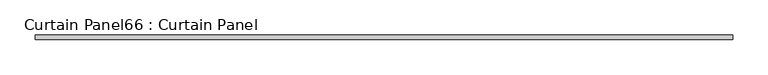
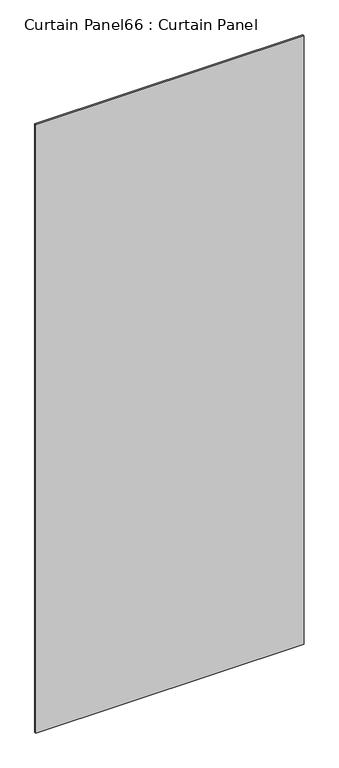
"""IFC4 building model written with IfcOpenShell, lengths in millimetres: plate geometry, Curtain Panel66 : Curtain Panel."""

from ifc_helpers import new_model, si_unit, frame, origin, place, context, project, spatial, polyline, outline, extrude, source, transform, mapped, element, save


def curtain_panel66_curtain_panel_0c7facda(model_context):
    return source(origin(), model_context, "Body", "SweptSolid", [
        extrude(outline(polyline([(-33566.9844918, 5641.2311339), (-34560.2375534, 5641.2311339), (-34560.2375534, 5647.5811339), (-33566.9844918, 5647.5811339), (-33566.9844918, 5641.2311339)])), frame((0.0, 0.0, 41.275), z_axis=(0.0, 0.0, 1.0), x_axis=(1.0, 0.0, 0.0)), (0.0, 0.0, 1.0), 2381.0595),
    ])


if __name__ == "__main__":
    model = new_model("IFC4")
    model_context = context("Model", 3, world=origin())
    ifc_project = project(units=[si_unit("LENGTHUNIT", "METRE", prefix="MILLI")], contexts=[model_context])
    site = spatial("IfcSite", under=ifc_project)
    building = spatial("IfcBuilding", under=site)
    placement = place(None, origin())
    curtain_panel66_curtain_panel_shape = curtain_panel66_curtain_panel_0c7facda(model_context)
    element("IfcPlate", 1, ObjectType="Curtain Panel66 : Curtain Panel", at=placement, inside=building, context=model_context, shape_type="MappedRepresentation", body=[
        mapped(curtain_panel66_curtain_panel_shape, transform((0.0, 0.0, 0.0), x_axis=(1.0, 0.0, 0.0), y_axis=(0.0, 1.0, 0.0), z_axis=(0.0, 0.0, 1.0))),
    ])
    save(model, "model.ifc")
